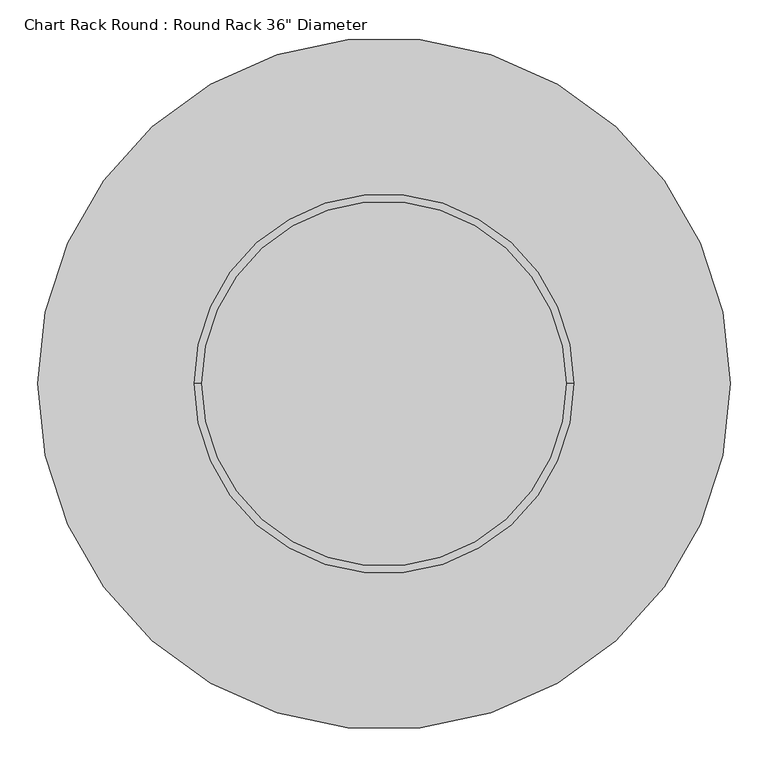
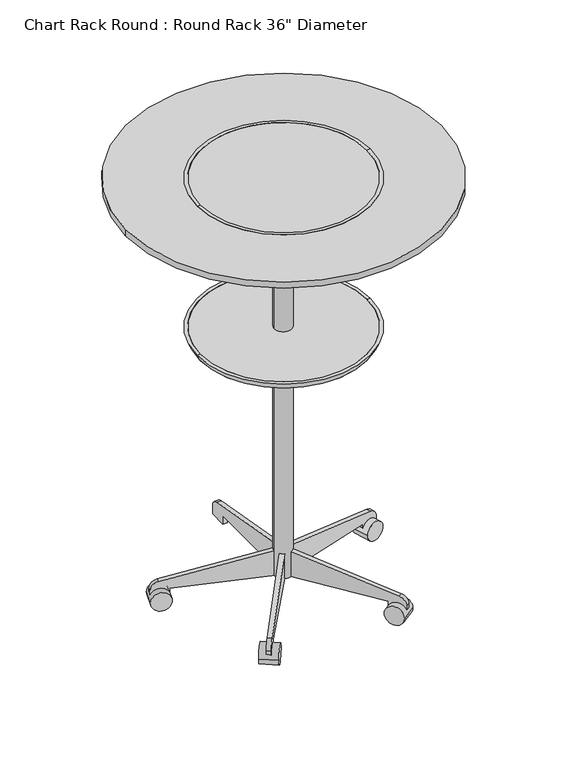
"""IFC4 building model written with IfcOpenShell, lengths in millimetres: furniture geometry."""

from ifc_helpers import new_model, si_unit, point, frame, frame_2d, origin, place, context, project, spatial, polyline, circle_curve, trimmed, segment, composite_curve, outline, extrude, source, transform, mapped, element, save
from ifc_brep_helpers import plane_surface, revolved_surface, advanced_brep


def furniture_385166ed(model_context):
    return source(origin(), model_context, "Body", "SolidModel", [
        advanced_brep(
        [(1213.0012204, -254.0391711, 1265.020179), (730.4012204, -254.0391711, 1265.020179), (730.4012204, -254.0391711, 1284.070179), (1213.0012204, -254.0391711, 1284.070179), (1222.5262204, -254.0391711, 1284.070179), (720.8762204, -254.0391711, 1284.070179)],
        [
            (0, 1, circle_curve(frame((971.7012204, -254.0391711, 1265.020179), z_axis=(0.0, 0.0, -1.0), x_axis=(-1.0, 0.0, 0.0)), 241.3)),
            (1, 2),
            (2, 3, circle_curve(frame((971.7012204, -254.0391711, 1284.070179), z_axis=(0.0, 0.0, 1.0), x_axis=(-1.0, 0.0, 0.0)), 241.3)),
            (3, 0),
            (4, 5, circle_curve(frame((971.7012204, -254.0391711, 1284.070179), z_axis=(0.0, 0.0, -1.0), x_axis=(-1.0, 0.0, 0.0)), 250.825)),
            (5, 1),
            (0, 4),
            (2, 5),
            (4, 3),
            (1, 0, circle_curve(frame((971.7012204, -254.0391711, 1265.020179), z_axis=(0.0, 0.0, -1.0), x_axis=(1.0, 0.0, 0.0)), 241.3)),
            (3, 2, circle_curve(frame((971.7012204, -254.0391711, 1284.070179), z_axis=(0.0, 0.0, 1.0), x_axis=(1.0, 0.0, 0.0)), 241.3)),
            (5, 4, circle_curve(frame((971.7012204, -254.0391711, 1284.070179), z_axis=(0.0, 0.0, -1.0), x_axis=(1.0, 0.0, 0.0)), 250.825)),
        ],
        [
            revolved_surface(polyline([(730.4012204, -254.0391711, 1284.070179), (730.4012204, -254.0391711, 1265.020179)]), (971.7012204, -254.0391711, 782.420179), (0.0, 0.0, 1.0)),
            revolved_surface(polyline([(730.4012204, -254.0391711, 1265.020179), (720.8762204, -254.0391711, 1284.070179)]), (971.7012204, -254.0391711, 782.420179), (0.0, 0.0, 1.0)),
            plane_surface(frame((971.7012204, -254.0391711, 1284.070179), z_axis=(0.0, 0.0, 1.0), x_axis=(-1.0, 0.0, 0.0))),
            revolved_surface(polyline([(1213.0012204, -254.0391711, 1284.070179), (1213.0012204, -254.0391711, 1265.020179)]), (971.7012204, -254.0391711, 782.420179), (0.0, 0.0, 1.0)),
            revolved_surface(polyline([(1213.0012204, -254.0391711, 1265.020179), (1222.5262204, -254.0391711, 1284.070179)]), (971.7012204, -254.0391711, 782.420179), (0.0, 0.0, 1.0)),
            plane_surface(frame((971.7012204, -254.0391711, 1284.070179), z_axis=(0.0, 0.0, 1.0), x_axis=(1.0, 0.0, 0.0))),
        ],
        [
            (0, [[1, 2, 3, 4]]),
            (1, [[5, 6, -1, 7]]),
            (2, [[-3, 8, -5, 9]]),
            (3, [[10, -4, 11, -2]]),
            (4, [[12, -7, -10, -6]]),
            (5, [[-11, -9, -12, -8]]),
        ],
    ),
        extrude(outline(composite_curve([segment(trimmed(circle_curve(frame_2d((971.7012204, -254.0391711)), 457.2), [point((514.5012204, -254.0391711))], [point((1428.9012204, -254.0391711))], False, "CARTESIAN"), True, "CONTINUOUS"), segment(trimmed(circle_curve(frame_2d((971.7012204, -254.0391711)), 457.2), [point((1428.9012204, -254.0391711))], [point((514.5012204, -254.0391711))], False, "CARTESIAN"), True, "CONTINUOUS")], self_intersect=False)), frame((0.0, 0.0, 1265.020179), z_axis=(0.0, 0.0, 1.0), x_axis=(1.0, 0.0, 0.0)), (0.0, 0.0, 1.0), 19.05),
        advanced_brep(
        [(1213.0012204, -254.0391711, 807.820179), (730.4012204, -254.0391711, 807.820179), (730.4012204, -254.0391711, 826.870179), (1213.0012204, -254.0391711, 826.870179), (1222.5262204, -254.0391711, 826.870179), (720.8762204, -254.0391711, 826.870179)],
        [
            (0, 1, circle_curve(frame((971.7012204, -254.0391711, 807.820179), z_axis=(0.0, 0.0, -1.0), x_axis=(-1.0, 0.0, 0.0)), 241.3)),
            (1, 2),
            (2, 3, circle_curve(frame((971.7012204, -254.0391711, 826.870179), z_axis=(0.0, 0.0, 1.0), x_axis=(-1.0, 0.0, 0.0)), 241.3)),
            (3, 0),
            (4, 5, circle_curve(frame((971.7012204, -254.0391711, 826.870179), z_axis=(0.0, 0.0, -1.0), x_axis=(-1.0, 0.0, 0.0)), 250.825)),
            (5, 1),
            (0, 4),
            (2, 5),
            (4, 3),
            (1, 0, circle_curve(frame((971.7012204, -254.0391711, 807.820179), z_axis=(0.0, 0.0, -1.0), x_axis=(1.0, 0.0, 0.0)), 241.3)),
            (3, 2, circle_curve(frame((971.7012204, -254.0391711, 826.870179), z_axis=(0.0, 0.0, 1.0), x_axis=(1.0, 0.0, 0.0)), 241.3)),
            (5, 4, circle_curve(frame((971.7012204, -254.0391711, 826.870179), z_axis=(0.0, 0.0, -1.0), x_axis=(1.0, 0.0, 0.0)), 250.825)),
        ],
        [
            revolved_surface(polyline([(730.4012204, -254.0391711, 826.870179), (730.4012204, -254.0391711, 807.820179)]), (971.7012204, -254.0391711, 325.220179), (0.0, 0.0, 1.0)),
            revolved_surface(polyline([(730.4012204, -254.0391711, 807.820179), (720.8762204, -254.0391711, 826.870179)]), (971.7012204, -254.0391711, 325.220179), (0.0, 0.0, 1.0)),
            plane_surface(frame((971.7012204, -254.0391711, 826.870179), z_axis=(0.0, 0.0, 1.0), x_axis=(-1.0, 0.0, 0.0))),
            revolved_surface(polyline([(1213.0012204, -254.0391711, 826.870179), (1213.0012204, -254.0391711, 807.820179)]), (971.7012204, -254.0391711, 325.220179), (0.0, 0.0, 1.0)),
            revolved_surface(polyline([(1213.0012204, -254.0391711, 807.820179), (1222.5262204, -254.0391711, 826.870179)]), (971.7012204, -254.0391711, 325.220179), (0.0, 0.0, 1.0)),
            plane_surface(frame((971.7012204, -254.0391711, 826.870179), z_axis=(0.0, 0.0, 1.0), x_axis=(1.0, 0.0, 0.0))),
        ],
        [
            (0, [[1, 2, 3, 4]]),
            (1, [[5, 6, -1, 7]]),
            (2, [[-3, 8, -5, 9]]),
            (3, [[10, -4, 11, -2]]),
            (4, [[12, -7, -10, -6]]),
            (5, [[-11, -9, -12, -8]]),
        ],
    ),
        extrude(outline(composite_curve([segment(trimmed(circle_curve(frame_2d((971.7012204, -254.0391711)), 241.3), [point((730.4012204, -254.0391711))], [point((1213.0012204, -254.0391711))], False, "CARTESIAN"), True, "CONTINUOUS"), segment(trimmed(circle_curve(frame_2d((971.7012204, -254.0391711)), 241.3), [point((1213.0012204, -254.0391711))], [point((730.4012204, -254.0391711))], False, "CARTESIAN"), True, "CONTINUOUS")], self_intersect=False)), frame((0.0, 0.0, 807.820179), z_axis=(0.0, 0.0, 1.0), x_axis=(1.0, 0.0, 0.0)), (0.0, 0.0, 1.0), 19.05),
        extrude(outline(composite_curve([segment(trimmed(circle_curve(frame_2d((971.7012204, -250.9682694)), 25.4), [point((946.3012204, -250.9682694))], [point((997.1012204, -250.9682694))], False, "CARTESIAN"), True, "CONTINUOUS"), segment(trimmed(circle_curve(frame_2d((971.7012204, -250.9682694)), 25.4), [point((997.1012204, -250.9682694))], [point((946.3012204, -250.9682694))], False, "CARTESIAN"), True, "CONTINUOUS")], self_intersect=False)), frame((0.0, 0.0, 70.8287734), z_axis=(0.0, 0.0, 1.0), x_axis=(1.0, 0.0, 0.0)), (0.0, 0.0, 1.0), 1194.1914056),
        extrude(outline(composite_curve([segment(trimmed(circle_curve(frame_2d((0.0, -28.2002727)), 28.2002727), [point((0.0, -56.4005455))], [point((0.0, 0.0))], False, "CARTESIAN"), True, "CONTINUOUS"), segment(trimmed(circle_curve(frame_2d((0.0, -28.2002727)), 28.2002727), [point((0.0, 0.0))], [point((0.0, -56.4005455))], False, "CARTESIAN"), True, "CONTINUOUS")], self_intersect=False)), frame((1308.3307491, -168.2978457, 45.4287734), z_axis=(-0.30901699437494223, 0.9510565162951553, 0.0), x_axis=(0.0, 0.0, 1.0)), (0.0, 0.0, 1.0), 50.8),
        extrude(outline(composite_curve([segment(polyline([(-25.4, 0.0), (0.0, 0.0), (0.0, -50.8), (-24.303053, -50.8)]), True, "CONTINUOUS"), segment(trimmed(circle_curve(frame_2d((-24.303053, -25.4)), 25.4), [point((-24.303053, -50.8))], [point((-49.3171699, -29.8106637))], False, "CARTESIAN"), True, "CONTINUOUS"), segment(polyline([(-49.3171699, -29.8106637), (-101.6, 266.7), (-101.6, 292.1), (-25.4, 292.1), (-25.4, 0.0)]), True, "CONTINUOUS")], self_intersect=False)), frame((1251.4670867, -166.7436142, 45.4287734), z_axis=(-0.3090169943749423, 0.9510565162951553, 0.0), x_axis=(0.0, 0.0, -1.0)), (0.0, 0.0, 1.0), 12.7),
        extrude(outline(composite_curve([segment(trimmed(circle_curve(frame_2d((0.0, -28.2002727)), 28.2002727), [point((0.0, -56.4005454))], [point((0.0, 0.0))], False, "CARTESIAN"), True, "CONTINUOUS"), segment(trimmed(circle_curve(frame_2d((0.0, -28.2002727)), 28.2002727), [point((0.0, 0.0))], [point((0.0, -56.4005454))], False, "CARTESIAN"), True, "CONTINUOUS")], self_intersect=False)), frame((1154.3497107, -545.5754104, 45.4287734), z_axis=(0.8090169943749499, 0.5877852522924699, 0.0), x_axis=(0.0, 0.0, 1.0)), (0.0, 0.0, 1.0), 50.8),
        extrude(outline(composite_curve([segment(polyline([(-25.4, 0.0), (0.0, 0.0), (0.0, -50.8), (-24.303053, -50.8)]), True, "CONTINUOUS"), segment(trimmed(circle_curve(frame_2d((-24.303053, -25.4)), 25.4), [point((-24.303053, -50.8))], [point((-49.3171699, -29.8106637))], False, "CARTESIAN"), True, "CONTINUOUS"), segment(polyline([(-49.3171699, -29.8106637), (-101.6, 266.7), (-101.6, 292.1), (-25.4, 292.1), (-25.4, 0.0)]), True, "CONTINUOUS")], self_intersect=False)), frame((1138.2560347, -491.0145698, 45.4287734), z_axis=(0.8090169943749499, 0.5877852522924699, 0.0), x_axis=(0.0, 0.0, -1.0)), (0.0, 0.0, 1.0), 12.7),
        extrude(outline(composite_curve([segment(trimmed(circle_curve(frame_2d((0.0, -28.2002727)), 28.2002727), [point((0.0, -56.4005454))], [point((0.0, 0.0))], False, "CARTESIAN"), True, "CONTINUOUS"), segment(trimmed(circle_curve(frame_2d((0.0, -28.2002727)), 28.2002727), [point((0.0, 0.0))], [point((0.0, -56.4005454))], False, "CARTESIAN"), True, "CONTINUOUS")], self_intersect=False)), frame((789.05273, -545.5754104, 45.4287734), z_axis=(-0.8090169943749458, 0.5877852522924754, 0.0), x_axis=(0.0, 0.0, -1.0)), (0.0, 0.0, 1.0), 50.8),
        extrude(outline(composite_curve([segment(polyline([(25.4, 0.0), (25.4, 292.1), (101.6, 292.1), (101.6, 266.7), (49.3171699, -29.8106638)]), True, "CONTINUOUS"), segment(trimmed(circle_curve(frame_2d((24.303053, -25.4)), 25.4), [point((49.3171699, -29.8106638))], [point((24.303053, -50.8))], False, "CARTESIAN"), True, "CONTINUOUS"), segment(polyline([(24.303053, -50.8), (0.0, -50.8), (0.0, 0.0), (25.4, 0.0)]), True, "CONTINUOUS")], self_intersect=False)), frame((805.1464061, -491.0145698, 45.4287734), z_axis=(-0.8090169943749459, 0.5877852522924754, 0.0), x_axis=(0.0, 0.0, 1.0)), (0.0, 0.0, 1.0), 12.7),
        extrude(outline(composite_curve([segment(trimmed(circle_curve(frame_2d((0.0, -28.2002727)), 28.2002727), [point((0.0, -56.4005454))], [point((0.0, 0.0))], False, "CARTESIAN"), True, "CONTINUOUS"), segment(trimmed(circle_curve(frame_2d((0.0, -28.2002727)), 28.2002727), [point((0.0, 0.0))], [point((0.0, -56.4005454))], False, "CARTESIAN"), True, "CONTINUOUS")], self_intersect=False)), frame((635.0716917, -168.2978457, 45.4287734), z_axis=(0.3090169943749487, 0.9510565162951532, 0.0), x_axis=(0.0, 0.0, -1.0)), (0.0, 0.0, 1.0), 50.8),
        extrude(outline(composite_curve([segment(polyline([(25.4, 0.0), (25.4, 292.1000001), (101.6, 292.1000001), (101.6, 266.7), (49.3171699, -29.8106636)]), True, "CONTINUOUS"), segment(trimmed(circle_curve(frame_2d((24.303053, -25.4)), 25.4), [point((49.3171699, -29.8106636))], [point((24.303053, -50.8))], False, "CARTESIAN"), True, "CONTINUOUS"), segment(polyline([(24.303053, -50.8), (0.0, -50.8), (0.0, 0.0), (25.4, 0.0)]), True, "CONTINUOUS")], self_intersect=False)), frame((691.935354, -166.7436142, 45.4287734), z_axis=(0.3090169943749487, 0.9510565162951532, 0.0), x_axis=(0.0, 0.0, 1.0)), (0.0, 0.0, 1.0), 12.7),
        extrude(outline(composite_curve([segment(polyline([(41.1317306, 70.8287734), (-250.9682694, 70.8287734), (-250.9682694, 147.0287734), (-225.5682694, 147.0287734), (70.9423943, 94.7459433)]), True, "CONTINUOUS"), segment(trimmed(circle_curve(frame_2d((66.5317306, 69.7318264)), 25.4), [point((70.9423943, 94.7459433))], [point((91.9317306, 69.7318264))], False, "CARTESIAN"), True, "CONTINUOUS"), segment(polyline([(91.9317306, 69.7318264), (91.9317306, 45.4287734), (41.1317306, 45.4287734), (41.1317306, 70.8287734)]), True, "CONTINUOUS")], self_intersect=False)), frame((965.3512204, 0.0, 0.0), z_axis=(1.0, 0.0, 0.0), x_axis=(0.0, 1.0, 0.0)), (0.0, 0.0, 1.0), 12.7),
        extrude(outline(polyline([(-200.1682694, 807.4287734), (-200.1682694, 794.7287734), (-250.9682694, 706.7405923), (-289.0682694, 706.7405923), (-289.0682694, 807.4287734), (-200.1682694, 807.4287734)])), frame((920.9012204, 0.0, 0.0), z_axis=(1.0, 0.0, 0.0), x_axis=(0.0, 1.0, 0.0)), (0.0, 0.0, 1.0), 101.6),
    ])


if __name__ == "__main__":
    model = new_model("IFC4")
    model_context = context("Model", 3, world=origin())
    ifc_project = project(units=[si_unit("LENGTHUNIT", "METRE", prefix="MILLI")], contexts=[model_context])
    site = spatial("IfcSite", under=ifc_project)
    building = spatial("IfcBuilding", under=site)
    placement = place(None, origin())
    furniture_shape = furniture_385166ed(model_context)
    element("IfcFurniture", 1, ObjectType="Chart Rack Round : Round Rack 36\" Diameter", at=placement, inside=building, context=model_context, shape_type="MappedRepresentation", body=[
        mapped(furniture_shape, transform((0.0, 0.0, 0.0), x_axis=(1.0, 0.0, 0.0), y_axis=(0.0, 1.0, 0.0), z_axis=(0.0, 0.0, 1.0))),
    ])
    save(model, "model.ifc")
